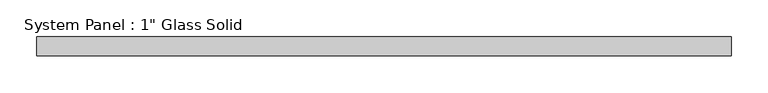
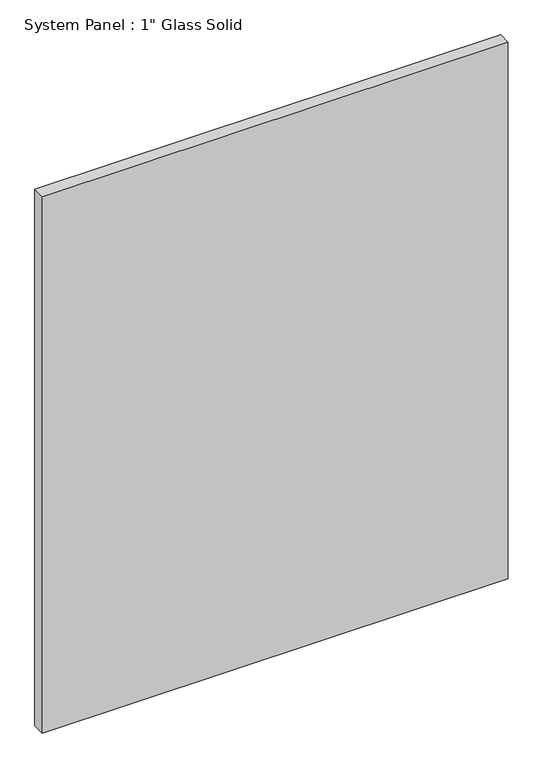
"""IFC4 building model written with IfcOpenShell, lengths in millimetres: plate geometry."""

import ifcopenshell
import ifcopenshell.guid

model = None  # the IFC model being written
_history = None  # IfcOwnerHistory: only IFC2X3 demands one
_inside = {}  # id of a spatial element -> (the spatial element, [elements in it])
_under = {}  # id of a project, library or spatial element -> (it, [spatial elements below it])
_declared = {}  # id of a project -> (the project, [libraries it declares])
_typed = {}  # id of a type object -> (the type object, [elements of that type])
_made_of = {}  # id of a material, layer set ... -> (it, [elements and type objects made of it])


def new_model(schema):
    """Start an empty IFC model of exactly this schema.

    Asked for "IFC4X3", IfcOpenShell would pick the latest addendum, in which some entities
    have other attributes; the version numbers below select the first issue.
    IFC2X3 requires an IfcOwnerHistory on every rooted entity: one is made here for all.
    """
    global model, _history
    if schema == "IFC4X3":
        model = ifcopenshell.file(schema_version=(4, 3, 0, 0))
    else:
        model = ifcopenshell.file(schema=schema)
    _inside.clear()
    _under.clear()
    _declared.clear()
    _typed.clear()
    _made_of.clear()
    _history = None
    if model.schema == "IFC2X3":
        org = make("IfcOrganization", Name="unknown")
        user = make(
            "IfcPersonAndOrganization",
            ThePerson=make("IfcPerson", FamilyName="unknown"),
            TheOrganization=org,
        )
        app = make(
            "IfcApplication",
            ApplicationDeveloper=org,
            Version="unknown",
            ApplicationFullName="unknown",
            ApplicationIdentifier="unknown",
        )
        _history = make(
            "IfcOwnerHistory",
            OwningUser=user,
            OwningApplication=app,
            ChangeAction="ADDED",
            CreationDate=0,
        )
    return model


def make(cls, **values):
    """One entity of the class cls with the attributes given. An attribute that is None is left unset."""
    return model.create_entity(
        cls, **{name: value for name, value in values.items() if value is not None}
    )


def rooted(cls, **values):
    """An entity with a GlobalId (a new one), such as an element, a storey or a relation."""
    return make(cls, GlobalId=ifcopenshell.guid.new(), OwnerHistory=_history, **values)


def si_unit(unit_type, name, prefix=None):
    """IfcSIUnit, for example si_unit("LENGTHUNIT", "METRE", prefix="MILLI")."""
    return make("IfcSIUnit", UnitType=unit_type, Prefix=prefix, Name=name)


def assignment(units):
    """IfcUnitAssignment: the units of a project."""
    return None if units is None else make("IfcUnitAssignment", Units=units)


def point(xyz):
    """IfcCartesianPoint."""
    return None if xyz is None else make("IfcCartesianPoint", Coordinates=xyz)


def direction(xyz):
    """IfcDirection."""
    return None if xyz is None else make("IfcDirection", DirectionRatios=xyz)


def frame(location, z_axis=None, x_axis=None):
    """IfcAxis2Placement3D, a coordinate frame: its origin and axes. An axis left out is left unset."""
    return make(
        "IfcAxis2Placement3D",
        Location=point(location),
        Axis=direction(z_axis),
        RefDirection=direction(x_axis),
    )


def origin():
    """The frame at (0, 0, 0) with its axes left unset."""
    return frame((0.0, 0.0, 0.0))


def origin_with_axes():
    """The frame at (0, 0, 0) with the z axis (0, 0, 1) and the x axis (1, 0, 0) written out."""
    return frame((0.0, 0.0, 0.0), z_axis=(0.0, 0.0, 1.0), x_axis=(1.0, 0.0, 0.0))


def place(relative_to, where):
    """IfcLocalPlacement: puts the frame where relative to a parent placement (None: the world)."""
    return make(
        "IfcLocalPlacement", PlacementRelTo=relative_to, RelativePlacement=where
    )


def context(
    kind, dimensions, precision=None, world=None, true_north=None, identifier=None
):
    """IfcGeometricRepresentationContext, for example the 3D "Model" context."""
    return make(
        "IfcGeometricRepresentationContext",
        ContextIdentifier=identifier,
        ContextType=kind,
        CoordinateSpaceDimension=dimensions,
        Precision=precision,
        WorldCoordinateSystem=world,
        TrueNorth=true_north,
    )


def project(units=None, contexts=None):
    """IfcProject with its units and contexts."""
    return rooted(
        "IfcProject",
        Name="project",
        RepresentationContexts=contexts,
        UnitsInContext=assignment(units),
    )


def spatial(cls, under=None, at=None, **own):
    """A site, building, storey or space (cls), placed at a placement, below another one or the project."""
    s = rooted(cls, ObjectPlacement=at, **own)
    if under is not None:
        _under.setdefault(under.id(), (under, []))[1].append(s)
    return s


def polyline(points):
    """IfcPolyline through the points."""
    return make("IfcPolyline", Points=[point(p) for p in points])


def outline(outer, holes=None, kind="AREA"):
    """IfcArbitraryClosedProfileDef: a profile drawn as a closed curve; with holes, ...WithVoids."""
    if holes is None:
        return make("IfcArbitraryClosedProfileDef", ProfileType=kind, OuterCurve=outer)
    return make(
        "IfcArbitraryProfileDefWithVoids",
        ProfileType=kind,
        OuterCurve=outer,
        InnerCurves=holes,
    )


def extrude(swept, where, along, depth):
    """IfcExtrudedAreaSolid: the profile swept, set in the frame where, extruded along a direction by depth."""
    return make(
        "IfcExtrudedAreaSolid",
        SweptArea=swept,
        Position=where,
        ExtrudedDirection=direction(along),
        Depth=depth,
    )


def shape(context_of_items, identifier, shape_type, items):
    """IfcShapeRepresentation: the items that make up one representation, for example the "Body"."""
    return make(
        "IfcShapeRepresentation",
        ContextOfItems=context_of_items,
        RepresentationIdentifier=identifier,
        RepresentationType=shape_type,
        Items=items,
    )


def source(mapping_origin, context_of_items, identifier, shape_type, items):
    """IfcRepresentationMap: a shape defined once, which mapped items show again and again."""
    return make(
        "IfcRepresentationMap",
        MappingOrigin=mapping_origin,
        MappedRepresentation=shape(context_of_items, identifier, shape_type, items),
    )


def transform(
    local_origin,
    x_axis=None,
    y_axis=None,
    z_axis=None,
    scale=None,
    scale2=None,
    scale3=None,
    uniform=True,
):
    """IfcCartesianTransformationOperator3D, or its non-uniform kind. x_axis, y_axis, z_axis: its Axis1, 2, 3."""
    if uniform:
        return make(
            "IfcCartesianTransformationOperator3D",
            Axis1=direction(x_axis),
            Axis2=direction(y_axis),
            LocalOrigin=point(local_origin),
            Scale=scale,
            Axis3=direction(z_axis),
        )
    return make(
        "IfcCartesianTransformationOperator3DnonUniform",
        Axis1=direction(x_axis),
        Axis2=direction(y_axis),
        LocalOrigin=point(local_origin),
        Scale=scale,
        Axis3=direction(z_axis),
        Scale2=scale2,
        Scale3=scale3,
    )


def mapped(mapping_source, mapping_target):
    """IfcMappedItem: shows the shape of a source again, moved by a transform."""
    return make(
        "IfcMappedItem", MappingSource=mapping_source, MappingTarget=mapping_target
    )


def made_of(thing, what):
    """Note that an element or type object is made of a material, layer set ...; save() writes the relation."""
    if what is not None:
        _made_of.setdefault(what.id(), (what, []))[1].append(thing)
    return thing


def element(
    cls,
    number,
    at=None,
    inside=None,
    cuts=None,
    type_object=None,
    material=None,
    context=None,
    identifier="Body",
    shape_type=None,
    held_by="IfcProductDefinitionShape",
    body=None,
    shapes=None,
    **own,
):
    """One element of the class cls, such as IfcWall. Its Tag is "e" and its number.

    at: its placement. inside: the storey or other place that contains it. cuts: it is an
    opening in that element (IfcRelVoidsElement). A single representation is given by context,
    identifier, shape_type and body (its items); several are given by shapes. held_by: the class
    of the entity that holds the representations. save() writes the other relations.
    """
    e = rooted(cls, Tag="e%d" % number, ObjectPlacement=at, **own)
    if body is not None:
        shapes = [shape(context, identifier, shape_type, body)]
    if shapes is not None:
        e.Representation = make(held_by, Representations=shapes)
    if inside is not None:
        _inside.setdefault(inside.id(), (inside, []))[1].append(e)
    if cuts is not None:
        rooted(
            "IfcRelVoidsElement", RelatingBuildingElement=cuts, RelatedOpeningElement=e
        )
    if type_object is not None:
        _typed.setdefault(type_object.id(), (type_object, []))[1].append(e)
    return made_of(e, material)


def aggregate(whole, parts):
    """IfcRelAggregates: a whole, such as a stair, and the parts it consists of."""
    return rooted("IfcRelAggregates", RelatingObject=whole, RelatedObjects=parts)


def save(model, path):
    """Write the relations noted so far, then the file.

    IfcRelAggregates (storeys below a building ...), IfcRelContainedInSpatialStructure (elements
    in a storey), IfcRelDefinesByType, IfcRelAssociatesMaterial and IfcRelDeclares: one each for
    every whole, place, type object, material and project.
    """
    for whole, parts in _under.values():
        aggregate(whole, parts)
    for where, things in _inside.values():
        rooted(
            "IfcRelContainedInSpatialStructure",
            RelatedElements=things,
            RelatingStructure=where,
        )
    for kind, things in _typed.values():
        rooted("IfcRelDefinesByType", RelatedObjects=things, RelatingType=kind)
    for what, things in _made_of.values():
        rooted("IfcRelAssociatesMaterial", RelatedObjects=things, RelatingMaterial=what)
    for by, libraries in _declared.values():
        rooted("IfcRelDeclares", RelatingContext=by, RelatedDefinitions=libraries)
    model.write(path)


def plate_5beae743(model_context):
    return source(origin(), model_context, "Body", "SweptSolid", [
        extrude(outline(polyline([(469.3202987, -12.7), (-469.3202987, -12.7), (-469.3202987, 12.7), (469.3202987, 12.7), (469.3202987, -12.7)])), origin_with_axes(), (0.0, 0.0, 1.0), 1141.8405973),
    ])


if __name__ == "__main__":
    model = new_model("IFC4")
    model_context = context("Model", 3, world=origin())
    ifc_project = project(units=[si_unit("LENGTHUNIT", "METRE", prefix="MILLI")], contexts=[model_context])
    site = spatial("IfcSite", under=ifc_project)
    building = spatial("IfcBuilding", under=site)
    placement = place(None, origin())
    plate_shape = plate_5beae743(model_context)
    element("IfcPlate", 1, ObjectType="System Panel : 1\" Glass Solid", at=placement, inside=building, context=model_context, shape_type="MappedRepresentation", body=[
        mapped(plate_shape, transform((0.0, 0.0, 0.0), x_axis=(1.0, 0.0, 0.0), y_axis=(0.0, 1.0, 0.0), z_axis=(0.0, 0.0, 1.0))),
    ])
    save(model, "model.ifc")
